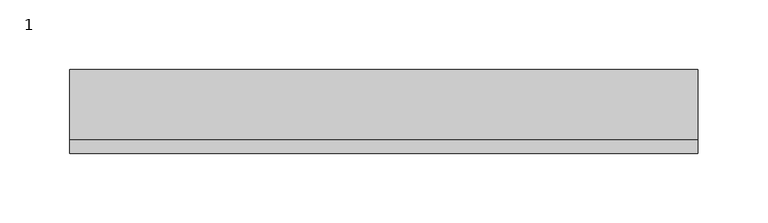
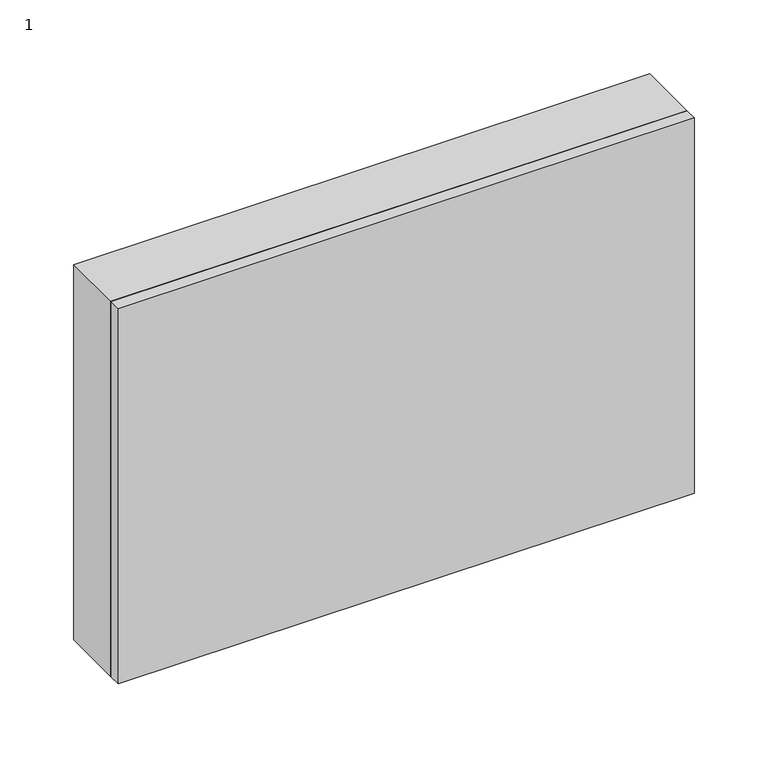
"""IFC4 building model written with IfcOpenShell, lengths in millimetres: proxy geometry, 1."""

from ifc_helpers import new_model, si_unit, frame, origin, origin_with_axes, place, context, project, spatial, polyline, outline, extrude, source, transform, mapped, element, save


def proxy_1_fa1afe79(model_context):
    return source(origin(), model_context, "Body", "SweptSolid", [
        extrude(outline(polyline([(310.0, 350.0), (310.0, -100.0), (0.0, -100.0), (0.0, 350.0), (310.0, 350.0)]), holes=[polyline([(300.0, 340.0), (10.0, 340.0), (10.0, -90.0), (300.0, -90.0), (300.0, 340.0)])]), frame((0.0, 10.0, 0.0), z_axis=(0.0, 1.0, 0.0), x_axis=(0.0, 0.0, 1.0)), (0.0, 0.0, 1.0), 50.0),
        extrude(outline(polyline([(350.0, 10.0), (350.0, 0.0), (-100.0, 0.0), (-100.0, 10.0), (350.0, 10.0)])), origin_with_axes(), (0.0, 0.0, 1.0), 310.0),
    ])


if __name__ == "__main__":
    model = new_model("IFC4")
    model_context = context("Model", 3, world=origin())
    ifc_project = project(units=[si_unit("LENGTHUNIT", "METRE", prefix="MILLI")], contexts=[model_context])
    site = spatial("IfcSite", under=ifc_project)
    building = spatial("IfcBuilding", under=site)
    placement = place(None, origin())
    proxy_1_shape = proxy_1_fa1afe79(model_context)
    element("IfcBuildingElementProxy", 1, Name="1", ObjectType="1", at=placement, inside=building, context=model_context, shape_type="MappedRepresentation", body=[
        mapped(proxy_1_shape, transform((0.0, 0.0, 0.0), x_axis=(1.0, 0.0, 0.0), y_axis=(0.0, 1.0, 0.0), z_axis=(0.0, 0.0, 1.0))),
    ])
    save(model, "model.ifc")
